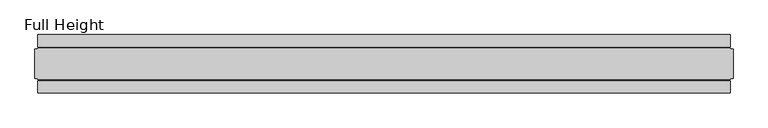
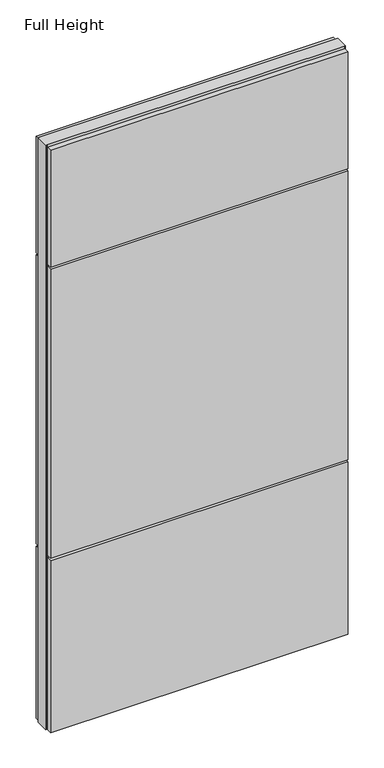
"""IFC4 building model written with IfcOpenShell, lengths in millimetres: plate geometry, Full Height."""

from ifc_helpers import new_model, si_unit, frame, origin, origin_with_axes, place, context, project, spatial, polyline, outline, extrude, source, transform, mapped, element, save


def full_height_e6d53002(model_context):
    return source(origin(), model_context, "Body", "SweptSolid", [
        extrude(outline(polyline([(589.153, 28.956), (-589.153, 28.956), (-589.153, 49.53), (589.153, 49.53), (589.153, 28.956)])), frame((0.0, 0.0, 1949.196), z_axis=(0.0, 0.0, 1.0), x_axis=(1.0, 0.0, 0.0)), (0.0, 0.0, 1.0), 488.696),
        extrude(outline(polyline([(589.153, 28.956), (-589.153, 28.956), (-589.153, 49.53), (589.153, 49.53), (589.153, 28.956)])), frame((0.0, 0.0, 729.996), z_axis=(0.0, 0.0, 1.0), x_axis=(1.0, 0.0, 0.0)), (0.0, 0.0, 1.0), 1210.056),
        extrude(outline(polyline([(589.153, 28.956), (-589.153, 28.956), (-589.153, 49.53), (589.153, 49.53), (589.153, 28.956)])), origin_with_axes(), (0.0, 0.0, 1.0), 720.852),
        extrude(outline(polyline([(589.153, -28.956), (589.153, -49.53), (-589.153, -49.53), (-589.153, -28.956), (589.153, -28.956)])), frame((0.0, 0.0, 1949.196), z_axis=(0.0, 0.0, 1.0), x_axis=(1.0, 0.0, 0.0)), (0.0, 0.0, 1.0), 488.696),
        extrude(outline(polyline([(589.153, -28.956), (589.153, -49.53), (-589.153, -49.53), (-589.153, -28.956), (589.153, -28.956)])), frame((0.0, 0.0, 729.996), z_axis=(0.0, 0.0, 1.0), x_axis=(1.0, 0.0, 0.0)), (0.0, 0.0, 1.0), 1210.056),
        extrude(outline(polyline([(589.153, -28.956), (589.153, -49.53), (-589.153, -49.53), (-589.153, -28.956), (589.153, -28.956)])), origin_with_axes(), (0.0, 0.0, 1.0), 720.852),
        extrude(outline(polyline([(589.153, -25.146), (589.153, -26.67), (-589.153, -26.67), (-589.153, -25.146), (-593.725, -25.146), (-593.725, 25.146), (-589.153, 25.146), (-589.153, 26.67), (589.153, 26.67), (589.153, 25.146), (593.725, 25.146), (593.725, -25.146), (589.153, -25.146)])), origin_with_axes(), (0.0, 0.0, 1.0), 2447.036),
    ])


if __name__ == "__main__":
    model = new_model("IFC4")
    model_context = context("Model", 3, world=origin())
    ifc_project = project(units=[si_unit("LENGTHUNIT", "METRE", prefix="MILLI")], contexts=[model_context])
    site = spatial("IfcSite", under=ifc_project)
    building = spatial("IfcBuilding", under=site)
    placement = place(None, origin())
    full_height_shape = full_height_e6d53002(model_context)
    element("IfcPlate", 1, ObjectType="Full Height", at=placement, inside=building, context=model_context, shape_type="MappedRepresentation", body=[
        mapped(full_height_shape, transform((0.0, 0.0, 0.0), x_axis=(1.0, 0.0, 0.0), y_axis=(0.0, 1.0, 0.0), z_axis=(0.0, 0.0, 1.0))),
    ])
    save(model, "model.ifc")
